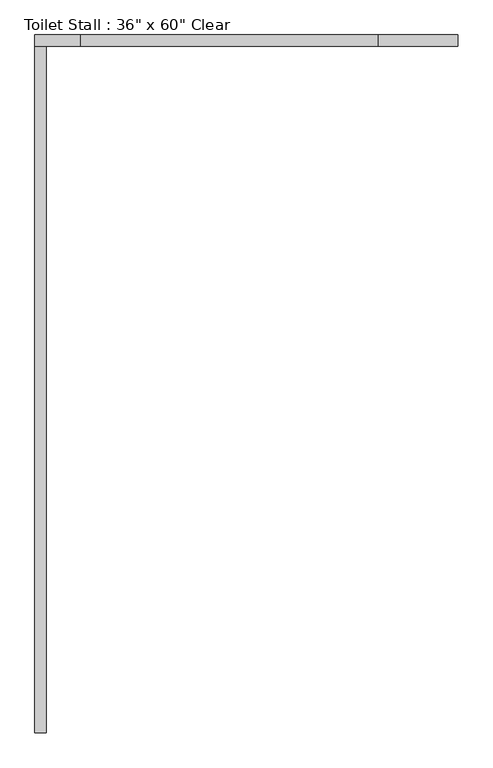
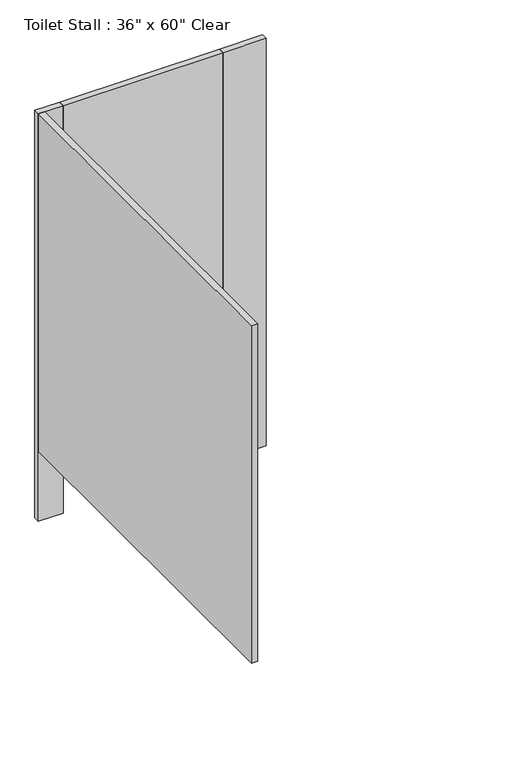
"""IFC4 building model written with IfcOpenShell, lengths in millimetres: proxy geometry."""

from ifc_helpers import new_model, si_unit, frame, origin, origin_with_axes, place, context, project, spatial, polyline, outline, extrude, source, transform, mapped, element, save


def proxy_42b72446(model_context):
    return source(origin(), model_context, "Body", "SweptSolid", [
        extrude(outline(polyline([(684.3031538, 1612.9), (684.3031538, 1587.5), (23.9031538, 1587.5), (23.9031538, 1612.9), (684.3031538, 1612.9)])), frame((0.0, 0.0, 304.8), z_axis=(0.0, 0.0, 1.0), x_axis=(1.0, 0.0, 0.0)), (0.0, 0.0, 1.0), 1473.2),
        extrude(outline(polyline([(23.9031538, 1612.9), (23.9031538, 1587.5), (-77.6968462, 1587.5), (-77.6968462, 1612.9), (23.9031538, 1612.9)])), origin_with_axes(), (0.0, 0.0, 1.0), 1778.0),
        extrude(outline(polyline([(862.1031538, 1612.9), (862.1031538, 1587.5), (684.3031538, 1587.5), (684.3031538, 1612.9), (862.1031538, 1612.9)])), origin_with_axes(), (0.0, 0.0, 1.0), 1778.0),
        extrude(outline(polyline([(-77.6968462, 1587.5), (-52.2968462, 1587.5), (-52.2968462, 63.5), (-77.6968462, 63.5), (-77.6968462, 1587.5)])), frame((0.0, 0.0, 304.8), z_axis=(0.0, 0.0, 1.0), x_axis=(1.0, 0.0, 0.0)), (0.0, 0.0, 1.0), 1473.2),
    ])


if __name__ == "__main__":
    model = new_model("IFC4")
    model_context = context("Model", 3, world=origin())
    ifc_project = project(units=[si_unit("LENGTHUNIT", "METRE", prefix="MILLI")], contexts=[model_context])
    site = spatial("IfcSite", under=ifc_project)
    building = spatial("IfcBuilding", under=site)
    placement = place(None, origin())
    proxy_shape = proxy_42b72446(model_context)
    element("IfcBuildingElementProxy", 1, Name="Toilet Stall : 36\" x 60\" Clear", ObjectType="Toilet Stall : 36\" x 60\" Clear", at=placement, inside=building, context=model_context, shape_type="MappedRepresentation", body=[
        mapped(proxy_shape, transform((0.0, 0.0, 0.0), x_axis=(1.0, 0.0, 0.0), y_axis=(0.0, 1.0, 0.0), z_axis=(0.0, 0.0, 1.0))),
    ])
    save(model, "model.ifc")
